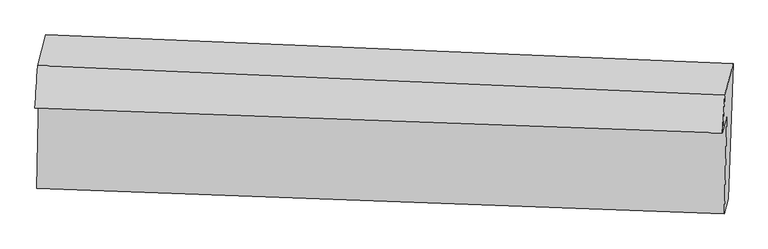
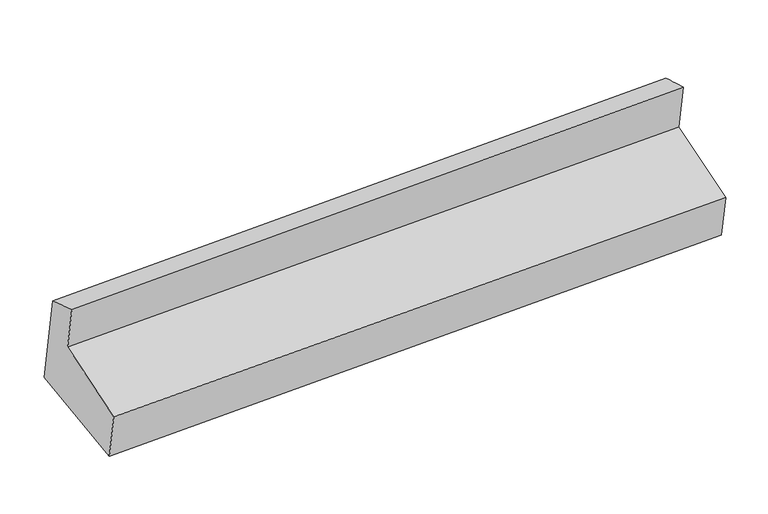
"""IFC4 building model written with IfcOpenShell, lengths in millimetres: proxy geometry."""

import ifcopenshell
import ifcopenshell.guid

model = None  # the IFC model being written
_history = None  # IfcOwnerHistory: only IFC2X3 demands one
_inside = {}  # id of a spatial element -> (the spatial element, [elements in it])
_under = {}  # id of a project, library or spatial element -> (it, [spatial elements below it])
_declared = {}  # id of a project -> (the project, [libraries it declares])
_typed = {}  # id of a type object -> (the type object, [elements of that type])
_made_of = {}  # id of a material, layer set ... -> (it, [elements and type objects made of it])


def new_model(schema):
    """Start an empty IFC model of exactly this schema.

    Asked for "IFC4X3", IfcOpenShell would pick the latest addendum, in which some entities
    have other attributes; the version numbers below select the first issue.
    IFC2X3 requires an IfcOwnerHistory on every rooted entity: one is made here for all.
    """
    global model, _history
    if schema == "IFC4X3":
        model = ifcopenshell.file(schema_version=(4, 3, 0, 0))
    else:
        model = ifcopenshell.file(schema=schema)
    _inside.clear()
    _under.clear()
    _declared.clear()
    _typed.clear()
    _made_of.clear()
    _history = None
    if model.schema == "IFC2X3":
        org = make("IfcOrganization", Name="unknown")
        user = make(
            "IfcPersonAndOrganization",
            ThePerson=make("IfcPerson", FamilyName="unknown"),
            TheOrganization=org,
        )
        app = make(
            "IfcApplication",
            ApplicationDeveloper=org,
            Version="unknown",
            ApplicationFullName="unknown",
            ApplicationIdentifier="unknown",
        )
        _history = make(
            "IfcOwnerHistory",
            OwningUser=user,
            OwningApplication=app,
            ChangeAction="ADDED",
            CreationDate=0,
        )
    return model


def make(cls, **values):
    """One entity of the class cls with the attributes given. An attribute that is None is left unset."""
    return model.create_entity(
        cls, **{name: value for name, value in values.items() if value is not None}
    )


def rooted(cls, **values):
    """An entity with a GlobalId (a new one), such as an element, a storey or a relation."""
    return make(cls, GlobalId=ifcopenshell.guid.new(), OwnerHistory=_history, **values)


def si_unit(unit_type, name, prefix=None):
    """IfcSIUnit, for example si_unit("LENGTHUNIT", "METRE", prefix="MILLI")."""
    return make("IfcSIUnit", UnitType=unit_type, Prefix=prefix, Name=name)


def assignment(units):
    """IfcUnitAssignment: the units of a project."""
    return None if units is None else make("IfcUnitAssignment", Units=units)


def point(xyz):
    """IfcCartesianPoint."""
    return None if xyz is None else make("IfcCartesianPoint", Coordinates=xyz)


def direction(xyz):
    """IfcDirection."""
    return None if xyz is None else make("IfcDirection", DirectionRatios=xyz)


def frame(location, z_axis=None, x_axis=None):
    """IfcAxis2Placement3D, a coordinate frame: its origin and axes. An axis left out is left unset."""
    return make(
        "IfcAxis2Placement3D",
        Location=point(location),
        Axis=direction(z_axis),
        RefDirection=direction(x_axis),
    )


def origin():
    """The frame at (0, 0, 0) with its axes left unset."""
    return frame((0.0, 0.0, 0.0))


def place(relative_to, where):
    """IfcLocalPlacement: puts the frame where relative to a parent placement (None: the world)."""
    return make(
        "IfcLocalPlacement", PlacementRelTo=relative_to, RelativePlacement=where
    )


def context(
    kind, dimensions, precision=None, world=None, true_north=None, identifier=None
):
    """IfcGeometricRepresentationContext, for example the 3D "Model" context."""
    return make(
        "IfcGeometricRepresentationContext",
        ContextIdentifier=identifier,
        ContextType=kind,
        CoordinateSpaceDimension=dimensions,
        Precision=precision,
        WorldCoordinateSystem=world,
        TrueNorth=true_north,
    )


def project(units=None, contexts=None):
    """IfcProject with its units and contexts."""
    return rooted(
        "IfcProject",
        Name="project",
        RepresentationContexts=contexts,
        UnitsInContext=assignment(units),
    )


def spatial(cls, under=None, at=None, **own):
    """A site, building, storey or space (cls), placed at a placement, below another one or the project."""
    s = rooted(cls, ObjectPlacement=at, **own)
    if under is not None:
        _under.setdefault(under.id(), (under, []))[1].append(s)
    return s


def shape(context_of_items, identifier, shape_type, items):
    """IfcShapeRepresentation: the items that make up one representation, for example the "Body"."""
    return make(
        "IfcShapeRepresentation",
        ContextOfItems=context_of_items,
        RepresentationIdentifier=identifier,
        RepresentationType=shape_type,
        Items=items,
    )


def source(mapping_origin, context_of_items, identifier, shape_type, items):
    """IfcRepresentationMap: a shape defined once, which mapped items show again and again."""
    return make(
        "IfcRepresentationMap",
        MappingOrigin=mapping_origin,
        MappedRepresentation=shape(context_of_items, identifier, shape_type, items),
    )


def transform(
    local_origin,
    x_axis=None,
    y_axis=None,
    z_axis=None,
    scale=None,
    scale2=None,
    scale3=None,
    uniform=True,
):
    """IfcCartesianTransformationOperator3D, or its non-uniform kind. x_axis, y_axis, z_axis: its Axis1, 2, 3."""
    if uniform:
        return make(
            "IfcCartesianTransformationOperator3D",
            Axis1=direction(x_axis),
            Axis2=direction(y_axis),
            LocalOrigin=point(local_origin),
            Scale=scale,
            Axis3=direction(z_axis),
        )
    return make(
        "IfcCartesianTransformationOperator3DnonUniform",
        Axis1=direction(x_axis),
        Axis2=direction(y_axis),
        LocalOrigin=point(local_origin),
        Scale=scale,
        Axis3=direction(z_axis),
        Scale2=scale2,
        Scale3=scale3,
    )


def mapped(mapping_source, mapping_target):
    """IfcMappedItem: shows the shape of a source again, moved by a transform."""
    return make(
        "IfcMappedItem", MappingSource=mapping_source, MappingTarget=mapping_target
    )


def made_of(thing, what):
    """Note that an element or type object is made of a material, layer set ...; save() writes the relation."""
    if what is not None:
        _made_of.setdefault(what.id(), (what, []))[1].append(thing)
    return thing


def element(
    cls,
    number,
    at=None,
    inside=None,
    cuts=None,
    type_object=None,
    material=None,
    context=None,
    identifier="Body",
    shape_type=None,
    held_by="IfcProductDefinitionShape",
    body=None,
    shapes=None,
    **own,
):
    """One element of the class cls, such as IfcWall. Its Tag is "e" and its number.

    at: its placement. inside: the storey or other place that contains it. cuts: it is an
    opening in that element (IfcRelVoidsElement). A single representation is given by context,
    identifier, shape_type and body (its items); several are given by shapes. held_by: the class
    of the entity that holds the representations. save() writes the other relations.
    """
    e = rooted(cls, Tag="e%d" % number, ObjectPlacement=at, **own)
    if body is not None:
        shapes = [shape(context, identifier, shape_type, body)]
    if shapes is not None:
        e.Representation = make(held_by, Representations=shapes)
    if inside is not None:
        _inside.setdefault(inside.id(), (inside, []))[1].append(e)
    if cuts is not None:
        rooted(
            "IfcRelVoidsElement", RelatingBuildingElement=cuts, RelatedOpeningElement=e
        )
    if type_object is not None:
        _typed.setdefault(type_object.id(), (type_object, []))[1].append(e)
    return made_of(e, material)


def aggregate(whole, parts):
    """IfcRelAggregates: a whole, such as a stair, and the parts it consists of."""
    return rooted("IfcRelAggregates", RelatingObject=whole, RelatedObjects=parts)


def save(model, path):
    """Write the relations noted so far, then the file.

    IfcRelAggregates (storeys below a building ...), IfcRelContainedInSpatialStructure (elements
    in a storey), IfcRelDefinesByType, IfcRelAssociatesMaterial and IfcRelDeclares: one each for
    every whole, place, type object, material and project.
    """
    for whole, parts in _under.values():
        aggregate(whole, parts)
    for where, things in _inside.values():
        rooted(
            "IfcRelContainedInSpatialStructure",
            RelatedElements=things,
            RelatingStructure=where,
        )
    for kind, things in _typed.values():
        rooted("IfcRelDefinesByType", RelatedObjects=things, RelatingType=kind)
    for what, things in _made_of.values():
        rooted("IfcRelAssociatesMaterial", RelatedObjects=things, RelatingMaterial=what)
    for by, libraries in _declared.values():
        rooted("IfcRelDeclares", RelatingContext=by, RelatedDefinitions=libraries)
    model.write(path)


def plane_surface(at):
    """IfcPlane: the flat surface through the origin of the frame at, square to its z axis."""
    return make("IfcPlane", Position=at)


def spline_surface(u_degree, v_degree, points, u_multiplicities, v_multiplicities, u_knots, v_knots, weights=None):
    """IfcBSplineSurfaceWithKnots; with weights, IfcRationalBSplineSurfaceWithKnots. points: one row for each step in u."""
    own = dict(
        UDegree=u_degree,
        VDegree=v_degree,
        ControlPointsList=[[point(p) for p in row] for row in points],
        SurfaceForm="UNSPECIFIED",
        UClosed=False,
        VClosed=False,
        SelfIntersect=False,
        UMultiplicities=u_multiplicities,
        VMultiplicities=v_multiplicities,
        UKnots=u_knots,
        VKnots=v_knots,
        KnotSpec="UNSPECIFIED",
    )
    if weights is None:
        return make("IfcBSplineSurfaceWithKnots", **own)
    return make("IfcRationalBSplineSurfaceWithKnots", WeightsData=weights, **own)


def advanced_brep(points, edges, surfaces, faces):
    """IfcAdvancedBrep: a solid bounded by faces that lie on surfaces and meet in shared edges.

    An edge is (start, end): straight between two places in points (the first is 0);
    or (start, end, curve); or (start, end, curve, False) where it runs against its curve.
    A face is (place in surfaces, loops), or (place, loops, False) where it looks against
    its surface's normal. A loop lists edges by number (the first is 1), with a minus sign
    where the edge is run from its end to its start. The first loop is the outer one.
    """
    corners = [point(p) for p in points]
    vertices = [make("IfcVertexPoint", VertexGeometry=c) for c in corners]
    made = []
    for start, end, *more in edges:
        made.append(
            make(
                "IfcEdgeCurve",
                EdgeStart=vertices[start],
                EdgeEnd=vertices[end],
                EdgeGeometry=more[0] if more else make("IfcPolyline", Points=[corners[start], corners[end]]),
                SameSense=more[1] if len(more) > 1 else True,
            )
        )
    hull = []
    for where, loops, *sense in faces:
        bounds = []
        for j, loop in enumerate(loops):
            ring = [make("IfcOrientedEdge", EdgeElement=made[abs(k) - 1], Orientation=k > 0) for k in loop]
            bounds.append(
                make(
                    "IfcFaceOuterBound" if j == 0 else "IfcFaceBound",
                    Bound=make("IfcEdgeLoop", EdgeList=ring),
                    Orientation=True,
                )
            )
        hull.append(make("IfcAdvancedFace", Bounds=bounds, FaceSurface=surfaces[where], SameSense=sense[0] if sense else True))
    return make("IfcAdvancedBrep", Outer=make("IfcClosedShell", CfsFaces=hull))


def generic_models_851ed386(model_context):
    return source(origin(), model_context, "Body", "AdvancedBrep", [
        advanced_brep(
        [(-5062.3529643, -925.1664399, 1394.0984889), (-5115.3015933, -1127.3867948, 2139.9359238), (-628.6797036, -1317.9525081, 2453.5165814), (-574.7057033, -1111.8160753, 1693.2357069), (-5093.9416132, -1823.6815368, 1324.3605148), (-605.0432102, -1996.770078, 1611.6853932), (-5121.3203414, -1928.2458332, 1710.0188557), (-631.0547766, -2096.1129372, 1978.0858146), (-5106.7266275, -1304.7961733, 1880.0920146), (-616.2352922, -1463.018261, 2150.7900735), (-5132.9967551, -1405.126524, 2250.1345429), (-643.8725815, -1568.5700488, 2540.0905213)],
        [
            (0, 1),
            (1, 2),
            (2, 3),
            (3, 0),
            (4, 0),
            (3, 5),
            (5, 4),
            (6, 4),
            (5, 7),
            (7, 6),
            (8, 6),
            (7, 9),
            (9, 8),
            (10, 8),
            (9, 11),
            (11, 10),
            (1, 10),
            (11, 2),
        ],
        [
            plane_surface(frame((-5088.8272788, -1026.2766173, 1767.0172063), z_axis=(0.02257706083572756, 0.9645016352169474, 0.2631099997868849), x_axis=(-0.06835808882322167, -0.26107185879277356, 0.9628959737369986))),
            spline_surface(1, 1, [[(-5093.9416132, -1823.6815368, 1324.3605148), (-605.0432102, -1996.770078, 1611.6853932)], [(-5062.3529643, -925.1664399, 1394.0984889), (-574.7057033, -1111.8160753, 1693.2357069)]], [2, 2], [2, 2], [0.0, 1.0], [0.0, 1.0]),
            plane_surface(frame((-5107.6309773, -1875.963685, 1517.1896852), z_axis=(-0.020361232499054232, -0.964587505871859, -0.2629759755700622), x_axis=(0.0683580888232218, 0.2610718587927735, -0.9628959737369986))),
            plane_surface(frame((-5114.0234845, -1616.5210032, 1795.0554352), z_axis=(-0.06725015828976733, -0.26111582315489307, 0.9629620673256782), x_axis=(-0.022577060835723865, -0.9645016352169483, -0.2631099997868814))),
            plane_surface(frame((-5119.8616913, -1354.9613486, 2065.1132788), z_axis=(-0.01814532554747832, -0.9646686152870562, -0.262840654848009), x_axis=(0.06835808882320026, 0.2610718587927748, -0.9628959737369999))),
            spline_surface(1, 1, [[(-5115.3015933, -1127.3867948, 2139.9359238), (-628.6797036, -1317.9525081, 2453.5165814)], [(-5132.9967551, -1405.126524, 2250.1345429), (-643.8725815, -1568.5700488, 2540.0905213)]], [2, 2], [2, 2], [0.0, 1.0], [0.0, 1.0]),
            plane_surface(frame((-616.5985446, -1592.3733181, 2071.2340152), z_axis=(0.9974053579244782, -0.039725057713243285, 0.06003725321184285), x_axis=(-0.022577060835723865, -0.9645016352169483, -0.2631099997868814))),
            plane_surface(frame((-5105.4399825, -1419.067217, 1783.1067235), z_axis=(-0.9974053579244782, 0.03972505771325263, -0.06003725321184048), x_axis=(0.06835808882322196, 0.2610718587927736, -0.9628959737369985))),
        ],
        [
            (0, [[1, 2, 3, 4]]),
            (1, [[5, -4, 6, 7]]),
            (2, [[8, -7, 9, 10]]),
            (3, [[11, -10, 12, 13]]),
            (4, [[14, -13, 15, 16]]),
            (5, [[17, -16, 18, -2]]),
            (6, [[-12, -9, -6, -3, -18, -15]]),
            (7, [[-1, -5, -8, -11, -14, -17]]),
        ],
    ),
    ])


if __name__ == "__main__":
    model = new_model("IFC4")
    model_context = context("Model", 3, world=origin())
    ifc_project = project(units=[si_unit("LENGTHUNIT", "METRE", prefix="MILLI")], contexts=[model_context])
    site = spatial("IfcSite", under=ifc_project)
    building = spatial("IfcBuilding", under=site)
    placement = place(None, origin())
    generic_models_shape = generic_models_851ed386(model_context)
    element("IfcBuildingElementProxy", 1, Name="Generic Models", at=placement, inside=building, context=model_context, shape_type="MappedRepresentation", body=[
        mapped(generic_models_shape, transform((0.0, 0.0, 0.0), x_axis=(1.0, 0.0, 0.0), y_axis=(0.0, 1.0, 0.0), z_axis=(0.0, 0.0, 1.0))),
    ])
    save(model, "model.ifc")
